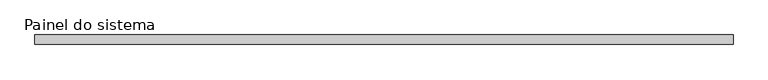
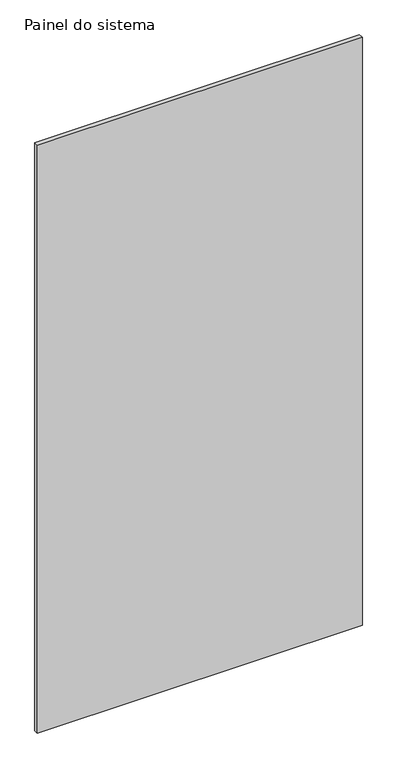
"""IFC4 building model written with IfcOpenShell, lengths in millimetres: plate geometry, Painel do sistema."""

from ifc_helpers import new_model, si_unit, origin, origin_with_axes, place, context, project, spatial, polyline, outline, extrude, source, transform, mapped, element, save


def painel_do_sistema_80cdc29d(model_context):
    return source(origin(), model_context, "Body", "SweptSolid", [
        extrude(outline(polyline([(915.0000002, 24.5), (-915.0000002, 24.5), (-915.0000002, 49.5), (915.0000002, 49.5), (915.0000002, 24.5)])), origin_with_axes(), (0.0, 0.0, 1.0), 3500.0),
    ])


if __name__ == "__main__":
    model = new_model("IFC4")
    model_context = context("Model", 3, world=origin())
    ifc_project = project(units=[si_unit("LENGTHUNIT", "METRE", prefix="MILLI")], contexts=[model_context])
    site = spatial("IfcSite", under=ifc_project)
    building = spatial("IfcBuilding", under=site)
    placement = place(None, origin())
    painel_do_sistema_shape = painel_do_sistema_80cdc29d(model_context)
    element("IfcPlate", 1, ObjectType="Painel do sistema", at=placement, inside=building, context=model_context, shape_type="MappedRepresentation", body=[
        mapped(painel_do_sistema_shape, transform((0.0, 0.0, 0.0), x_axis=(1.0, 0.0, 0.0), y_axis=(0.0, 1.0, 0.0), z_axis=(0.0, 0.0, 1.0))),
    ])
    save(model, "model.ifc")
